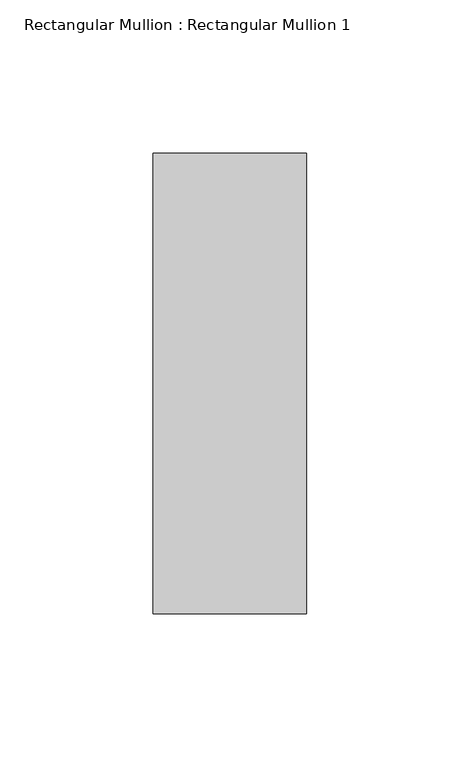
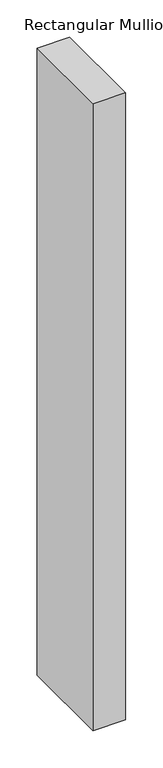
"""IFC4 building model written with IfcOpenShell, lengths in millimetres: member geometry, Rectangular Mullion : Rectangular Mullion 1."""

from ifc_helpers import new_model, si_unit, frame, origin, place, context, project, spatial, polyline, outline, extrude, source, transform, mapped, element, save


def rectangular_mullion_rectangular_mullion_1_38419d34(model_context):
    return source(origin(), model_context, "Body", "SweptSolid", [
        extrude(outline(polyline([(25.0, 75.0), (25.0, -75.0), (-25.0, -75.0), (-25.0, 75.0), (25.0, 75.0)])), frame((0.0, 0.0, -1025.0), z_axis=(0.0, 0.0, 1.0), x_axis=(1.0, 0.0, 0.0)), (0.0, 0.0, 1.0), 1025.0),
    ])


if __name__ == "__main__":
    model = new_model("IFC4")
    model_context = context("Model", 3, world=origin())
    ifc_project = project(units=[si_unit("LENGTHUNIT", "METRE", prefix="MILLI")], contexts=[model_context])
    site = spatial("IfcSite", under=ifc_project)
    building = spatial("IfcBuilding", under=site)
    placement = place(None, origin())
    rectangular_mullion_rectangular_mullion_1_shape = rectangular_mullion_rectangular_mullion_1_38419d34(model_context)
    element("IfcMember", 1, ObjectType="Rectangular Mullion : Rectangular Mullion 1", at=placement, inside=building, context=model_context, shape_type="MappedRepresentation", body=[
        mapped(rectangular_mullion_rectangular_mullion_1_shape, transform((0.0, 0.0, 0.0), x_axis=(1.0, 0.0, 0.0), y_axis=(0.0, 1.0, 0.0), z_axis=(0.0, 0.0, 1.0))),
    ])
    save(model, "model.ifc")
